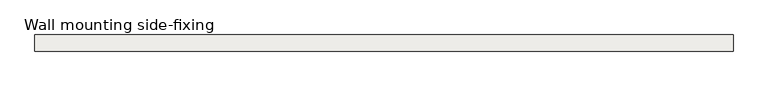
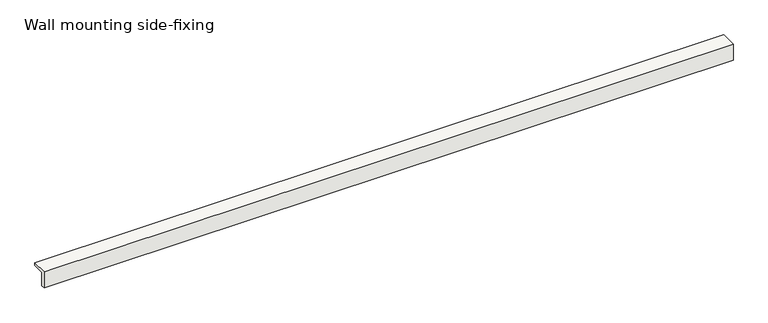
"""IFC4 building model written with IfcOpenShell, lengths in millimetres: covering geometry, Wall mounting side-fixing."""

from ifc_helpers import new_model, si_unit, frame, origin, place, context, project, spatial, polyline, outline, extrude, source, transform, mapped, element, save


def wall_mounting_side_fixing_225c0076(model_context):
    return source(origin(), model_context, "Body", "SweptSolid", [
        extrude(outline(polyline([(-25.0, 0.0), (-25.0, 48.0), (20.0, 48.0), (20.0, 40.0), (-14.0, 40.0), (-14.0, 0.0), (-25.0, 0.0)])), frame((0.0, 0.0, 0.0), z_axis=(1.0, 0.0, 0.0), x_axis=(0.0, 1.0, 0.0)), (0.0, 0.0, 1.0), 1950.0),
    ])


if __name__ == "__main__":
    model = new_model("IFC4")
    model_context = context("Model", 3, world=origin())
    ifc_project = project(units=[si_unit("LENGTHUNIT", "METRE", prefix="MILLI")], contexts=[model_context])
    site = spatial("IfcSite", under=ifc_project)
    building = spatial("IfcBuilding", under=site)
    placement = place(None, origin())
    wall_mounting_side_fixing_shape = wall_mounting_side_fixing_225c0076(model_context)
    element("IfcCovering", 1, ObjectType="Wall mounting side-fixing", at=placement, inside=building, context=model_context, shape_type="MappedRepresentation", body=[
        mapped(wall_mounting_side_fixing_shape, transform((0.0, 0.0, 0.0), x_axis=(1.0, 0.0, 0.0), y_axis=(0.0, 1.0, 0.0), z_axis=(0.0, 0.0, 1.0))),
    ])
    save(model, "model.ifc")
